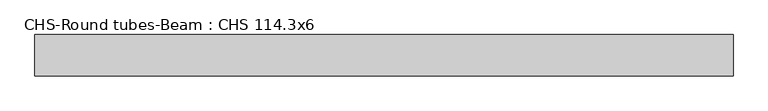
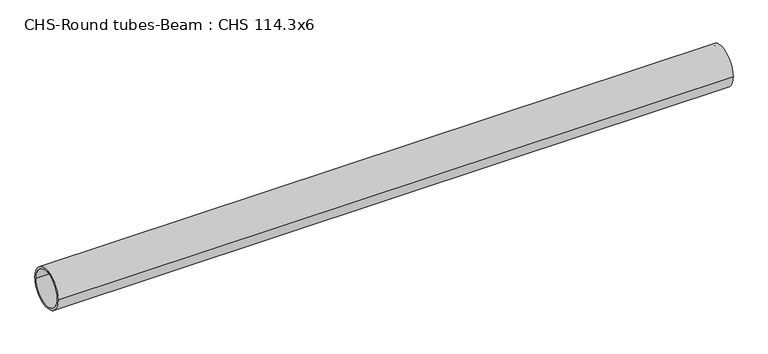
"""IFC4 building model written with IfcOpenShell, lengths in millimetres: beam geometry, CHS-Round tubes-Beam : CHS 114.3x6."""

from ifc_helpers import new_model, si_unit, point, frame, origin, origin_2d, place, context, project, spatial, circle_curve, trimmed, segment, composite_curve, outline, extrude, source, transform, mapped, element, save


def chs_round_tubes_beam_chs_114_3x6_4ca52dec(model_context):
    return source(origin(), model_context, "Body", "SweptSolid", [
        extrude(outline(composite_curve([segment(trimmed(circle_curve(origin_2d(), 57.15), [point((57.15, 0.0))], [point((-57.15, 0.0))], False, "CARTESIAN"), True, "CONTINUOUS"), segment(trimmed(circle_curve(origin_2d(), 57.15), [point((-57.15, 0.0))], [point((57.15, 0.0))], False, "CARTESIAN"), True, "CONTINUOUS")], self_intersect=False), holes=[composite_curve([segment(trimmed(circle_curve(origin_2d(), 51.15), [point((51.15, 0.0))], [point((-51.15, 0.0))], True, "CARTESIAN"), True, "CONTINUOUS"), segment(trimmed(circle_curve(origin_2d(), 51.15), [point((-51.15, 0.0))], [point((51.15, 0.0))], True, "CARTESIAN"), True, "CONTINUOUS")], self_intersect=False)]), frame((-917.1324101, 0.0, 0.0), z_axis=(1.0, 0.0, 0.0), x_axis=(0.0, 1.0, 0.0)), (0.0, 0.0, 1.0), 1927.0972749),
    ])


if __name__ == "__main__":
    model = new_model("IFC4")
    model_context = context("Model", 3, world=origin())
    ifc_project = project(units=[si_unit("LENGTHUNIT", "METRE", prefix="MILLI")], contexts=[model_context])
    site = spatial("IfcSite", under=ifc_project)
    building = spatial("IfcBuilding", under=site)
    placement = place(None, origin())
    chs_round_tubes_beam_chs_114_3x6_shape = chs_round_tubes_beam_chs_114_3x6_4ca52dec(model_context)
    element("IfcBeam", 1, ObjectType="CHS-Round tubes-Beam : CHS 114.3x6", at=placement, inside=building, context=model_context, shape_type="MappedRepresentation", body=[
        mapped(chs_round_tubes_beam_chs_114_3x6_shape, transform((0.0, 0.0, 0.0), x_axis=(1.0, 0.0, 0.0), y_axis=(0.0, 1.0, 0.0), z_axis=(0.0, 0.0, 1.0))),
    ])
    save(model, "model.ifc")
